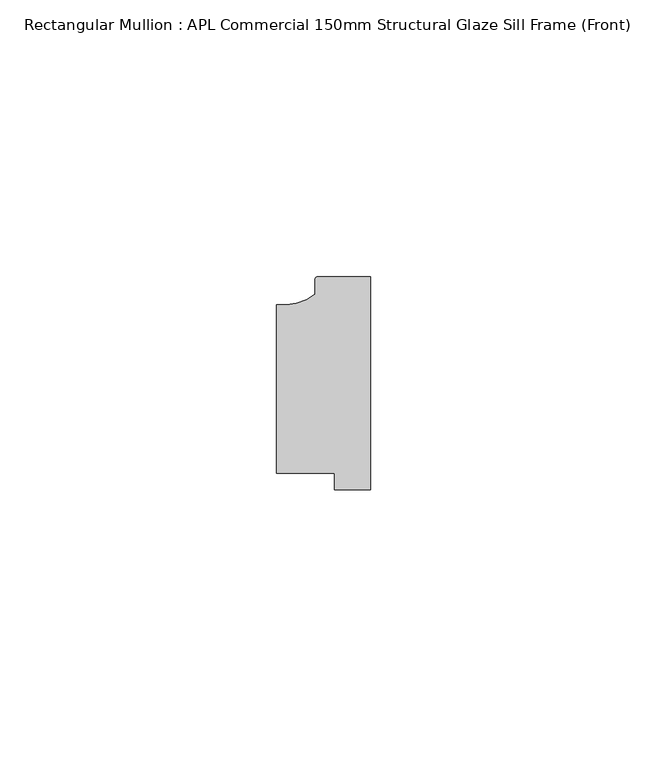
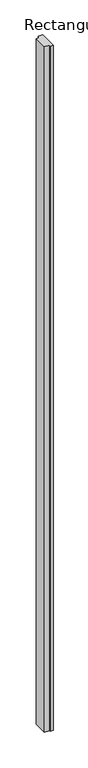
"""IFC4 building model written with IfcOpenShell, lengths in millimetres: member geometry, Rectangular Mullion : APL Commercial 150mm Structural Glaze Sill Frame (Front)."""

from ifc_helpers import new_model, si_unit, point, frame, frame_2d, origin, place, context, project, spatial, polyline, circle_curve, trimmed, segment, composite_curve, outline, extrude, source, transform, mapped, element, save


def rectangular_mullion_apl_commercial_150mm_structural_glaze_0dccf6e9(model_context):
    return source(origin(), model_context, "Body", "SweptSolid", [
        extrude(outline(composite_curve([segment(trimmed(circle_curve(frame_2d((-16.1098048, 25.7977481)), 10.4563907), [point((-16.999942, 15.3793144))], [point((-10.0, 17.3120901))], True, "CARTESIAN"), True, "CONTINUOUS"), segment(polyline([(-10.0, 17.3120901), (-10.0, 19.9980675)]), True, "CONTINUOUS"), segment(trimmed(circle_curve(frame_2d((-9.5000029, 19.99978)), 0.5), [point((-10.0, 19.9980675))], [point((-9.5000029, 20.49978))], False, "CARTESIAN"), True, "CONTINUOUS"), segment(polyline([(-9.5000029, 20.49978), (0.0, 20.49978), (0.0, -18.0281616), (-6.5000029, -18.0281616), (-6.5000029, -15.0004332), (-16.999942, -15.0004332), (-16.999942, 15.3793144)]), True, "CONTINUOUS")], self_intersect=False)), frame((0.0, 0.0, -1568.0001218), z_axis=(0.0, 0.0, 1.0), x_axis=(1.0, 0.0, 0.0)), (0.0, 0.0, 1.0), 1568.0001218),
    ])


if __name__ == "__main__":
    model = new_model("IFC4")
    model_context = context("Model", 3, world=origin())
    ifc_project = project(units=[si_unit("LENGTHUNIT", "METRE", prefix="MILLI")], contexts=[model_context])
    site = spatial("IfcSite", under=ifc_project)
    building = spatial("IfcBuilding", under=site)
    placement = place(None, origin())
    rectangular_mullion_apl_commercial_150mm_structural_glaze_shape = rectangular_mullion_apl_commercial_150mm_structural_glaze_0dccf6e9(model_context)
    element("IfcMember", 1, ObjectType="Rectangular Mullion : APL Commercial 150mm Structural Glaze Sill Frame (Front)", at=placement, inside=building, context=model_context, shape_type="MappedRepresentation", body=[
        mapped(rectangular_mullion_apl_commercial_150mm_structural_glaze_shape, transform((0.0, 0.0, 0.0), x_axis=(1.0, 0.0, 0.0), y_axis=(0.0, 1.0, 0.0), z_axis=(0.0, 0.0, 1.0))),
    ])
    save(model, "model.ifc")
